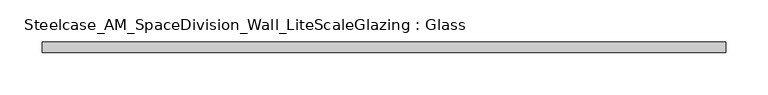
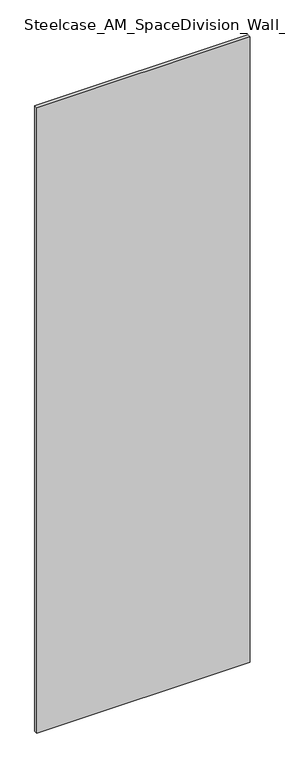
"""IFC4 building model written with IfcOpenShell, lengths in millimetres: plate geometry, Steelcase_AM_SpaceDivision_Wall_LiteScaleGlazing : Glass."""

import ifcopenshell
import ifcopenshell.guid

model = None  # the IFC model being written
_history = None  # IfcOwnerHistory: only IFC2X3 demands one
_inside = {}  # id of a spatial element -> (the spatial element, [elements in it])
_under = {}  # id of a project, library or spatial element -> (it, [spatial elements below it])
_declared = {}  # id of a project -> (the project, [libraries it declares])
_typed = {}  # id of a type object -> (the type object, [elements of that type])
_made_of = {}  # id of a material, layer set ... -> (it, [elements and type objects made of it])


def new_model(schema):
    """Start an empty IFC model of exactly this schema.

    Asked for "IFC4X3", IfcOpenShell would pick the latest addendum, in which some entities
    have other attributes; the version numbers below select the first issue.
    IFC2X3 requires an IfcOwnerHistory on every rooted entity: one is made here for all.
    """
    global model, _history
    if schema == "IFC4X3":
        model = ifcopenshell.file(schema_version=(4, 3, 0, 0))
    else:
        model = ifcopenshell.file(schema=schema)
    _inside.clear()
    _under.clear()
    _declared.clear()
    _typed.clear()
    _made_of.clear()
    _history = None
    if model.schema == "IFC2X3":
        org = make("IfcOrganization", Name="unknown")
        user = make(
            "IfcPersonAndOrganization",
            ThePerson=make("IfcPerson", FamilyName="unknown"),
            TheOrganization=org,
        )
        app = make(
            "IfcApplication",
            ApplicationDeveloper=org,
            Version="unknown",
            ApplicationFullName="unknown",
            ApplicationIdentifier="unknown",
        )
        _history = make(
            "IfcOwnerHistory",
            OwningUser=user,
            OwningApplication=app,
            ChangeAction="ADDED",
            CreationDate=0,
        )
    return model


def make(cls, **values):
    """One entity of the class cls with the attributes given. An attribute that is None is left unset."""
    return model.create_entity(
        cls, **{name: value for name, value in values.items() if value is not None}
    )


def rooted(cls, **values):
    """An entity with a GlobalId (a new one), such as an element, a storey or a relation."""
    return make(cls, GlobalId=ifcopenshell.guid.new(), OwnerHistory=_history, **values)


def si_unit(unit_type, name, prefix=None):
    """IfcSIUnit, for example si_unit("LENGTHUNIT", "METRE", prefix="MILLI")."""
    return make("IfcSIUnit", UnitType=unit_type, Prefix=prefix, Name=name)


def assignment(units):
    """IfcUnitAssignment: the units of a project."""
    return None if units is None else make("IfcUnitAssignment", Units=units)


def point(xyz):
    """IfcCartesianPoint."""
    return None if xyz is None else make("IfcCartesianPoint", Coordinates=xyz)


def direction(xyz):
    """IfcDirection."""
    return None if xyz is None else make("IfcDirection", DirectionRatios=xyz)


def frame(location, z_axis=None, x_axis=None):
    """IfcAxis2Placement3D, a coordinate frame: its origin and axes. An axis left out is left unset."""
    return make(
        "IfcAxis2Placement3D",
        Location=point(location),
        Axis=direction(z_axis),
        RefDirection=direction(x_axis),
    )


def origin():
    """The frame at (0, 0, 0) with its axes left unset."""
    return frame((0.0, 0.0, 0.0))


def origin_with_axes():
    """The frame at (0, 0, 0) with the z axis (0, 0, 1) and the x axis (1, 0, 0) written out."""
    return frame((0.0, 0.0, 0.0), z_axis=(0.0, 0.0, 1.0), x_axis=(1.0, 0.0, 0.0))


def place(relative_to, where):
    """IfcLocalPlacement: puts the frame where relative to a parent placement (None: the world)."""
    return make(
        "IfcLocalPlacement", PlacementRelTo=relative_to, RelativePlacement=where
    )


def context(
    kind, dimensions, precision=None, world=None, true_north=None, identifier=None
):
    """IfcGeometricRepresentationContext, for example the 3D "Model" context."""
    return make(
        "IfcGeometricRepresentationContext",
        ContextIdentifier=identifier,
        ContextType=kind,
        CoordinateSpaceDimension=dimensions,
        Precision=precision,
        WorldCoordinateSystem=world,
        TrueNorth=true_north,
    )


def project(units=None, contexts=None):
    """IfcProject with its units and contexts."""
    return rooted(
        "IfcProject",
        Name="project",
        RepresentationContexts=contexts,
        UnitsInContext=assignment(units),
    )


def spatial(cls, under=None, at=None, **own):
    """A site, building, storey or space (cls), placed at a placement, below another one or the project."""
    s = rooted(cls, ObjectPlacement=at, **own)
    if under is not None:
        _under.setdefault(under.id(), (under, []))[1].append(s)
    return s


def polyline(points):
    """IfcPolyline through the points."""
    return make("IfcPolyline", Points=[point(p) for p in points])


def outline(outer, holes=None, kind="AREA"):
    """IfcArbitraryClosedProfileDef: a profile drawn as a closed curve; with holes, ...WithVoids."""
    if holes is None:
        return make("IfcArbitraryClosedProfileDef", ProfileType=kind, OuterCurve=outer)
    return make(
        "IfcArbitraryProfileDefWithVoids",
        ProfileType=kind,
        OuterCurve=outer,
        InnerCurves=holes,
    )


def extrude(swept, where, along, depth):
    """IfcExtrudedAreaSolid: the profile swept, set in the frame where, extruded along a direction by depth."""
    return make(
        "IfcExtrudedAreaSolid",
        SweptArea=swept,
        Position=where,
        ExtrudedDirection=direction(along),
        Depth=depth,
    )


def shape(context_of_items, identifier, shape_type, items):
    """IfcShapeRepresentation: the items that make up one representation, for example the "Body"."""
    return make(
        "IfcShapeRepresentation",
        ContextOfItems=context_of_items,
        RepresentationIdentifier=identifier,
        RepresentationType=shape_type,
        Items=items,
    )


def source(mapping_origin, context_of_items, identifier, shape_type, items):
    """IfcRepresentationMap: a shape defined once, which mapped items show again and again."""
    return make(
        "IfcRepresentationMap",
        MappingOrigin=mapping_origin,
        MappedRepresentation=shape(context_of_items, identifier, shape_type, items),
    )


def transform(
    local_origin,
    x_axis=None,
    y_axis=None,
    z_axis=None,
    scale=None,
    scale2=None,
    scale3=None,
    uniform=True,
):
    """IfcCartesianTransformationOperator3D, or its non-uniform kind. x_axis, y_axis, z_axis: its Axis1, 2, 3."""
    if uniform:
        return make(
            "IfcCartesianTransformationOperator3D",
            Axis1=direction(x_axis),
            Axis2=direction(y_axis),
            LocalOrigin=point(local_origin),
            Scale=scale,
            Axis3=direction(z_axis),
        )
    return make(
        "IfcCartesianTransformationOperator3DnonUniform",
        Axis1=direction(x_axis),
        Axis2=direction(y_axis),
        LocalOrigin=point(local_origin),
        Scale=scale,
        Axis3=direction(z_axis),
        Scale2=scale2,
        Scale3=scale3,
    )


def mapped(mapping_source, mapping_target):
    """IfcMappedItem: shows the shape of a source again, moved by a transform."""
    return make(
        "IfcMappedItem", MappingSource=mapping_source, MappingTarget=mapping_target
    )


def made_of(thing, what):
    """Note that an element or type object is made of a material, layer set ...; save() writes the relation."""
    if what is not None:
        _made_of.setdefault(what.id(), (what, []))[1].append(thing)
    return thing


def element(
    cls,
    number,
    at=None,
    inside=None,
    cuts=None,
    type_object=None,
    material=None,
    context=None,
    identifier="Body",
    shape_type=None,
    held_by="IfcProductDefinitionShape",
    body=None,
    shapes=None,
    **own,
):
    """One element of the class cls, such as IfcWall. Its Tag is "e" and its number.

    at: its placement. inside: the storey or other place that contains it. cuts: it is an
    opening in that element (IfcRelVoidsElement). A single representation is given by context,
    identifier, shape_type and body (its items); several are given by shapes. held_by: the class
    of the entity that holds the representations. save() writes the other relations.
    """
    e = rooted(cls, Tag="e%d" % number, ObjectPlacement=at, **own)
    if body is not None:
        shapes = [shape(context, identifier, shape_type, body)]
    if shapes is not None:
        e.Representation = make(held_by, Representations=shapes)
    if inside is not None:
        _inside.setdefault(inside.id(), (inside, []))[1].append(e)
    if cuts is not None:
        rooted(
            "IfcRelVoidsElement", RelatingBuildingElement=cuts, RelatedOpeningElement=e
        )
    if type_object is not None:
        _typed.setdefault(type_object.id(), (type_object, []))[1].append(e)
    return made_of(e, material)


def aggregate(whole, parts):
    """IfcRelAggregates: a whole, such as a stair, and the parts it consists of."""
    return rooted("IfcRelAggregates", RelatingObject=whole, RelatedObjects=parts)


def save(model, path):
    """Write the relations noted so far, then the file.

    IfcRelAggregates (storeys below a building ...), IfcRelContainedInSpatialStructure (elements
    in a storey), IfcRelDefinesByType, IfcRelAssociatesMaterial and IfcRelDeclares: one each for
    every whole, place, type object, material and project.
    """
    for whole, parts in _under.values():
        aggregate(whole, parts)
    for where, things in _inside.values():
        rooted(
            "IfcRelContainedInSpatialStructure",
            RelatedElements=things,
            RelatingStructure=where,
        )
    for kind, things in _typed.values():
        rooted("IfcRelDefinesByType", RelatedObjects=things, RelatingType=kind)
    for what, things in _made_of.values():
        rooted("IfcRelAssociatesMaterial", RelatedObjects=things, RelatingMaterial=what)
    for by, libraries in _declared.values():
        rooted("IfcRelDeclares", RelatingContext=by, RelatedDefinitions=libraries)
    model.write(path)


def steelcase_am_spacedivision_wall_litescaleglazing_glass_b36376c5(model_context):
    return source(origin(), model_context, "Body", "SweptSolid", [
        extrude(outline(polyline([(-405.6747088, -6.349956), (-405.6747088, 6.3502015), (405.6747088, 6.3502015), (405.6747088, -6.349956), (-405.6747088, -6.349956)])), origin_with_axes(), (0.0, 0.0, 1.0), 2513.584),
    ])


if __name__ == "__main__":
    model = new_model("IFC4")
    model_context = context("Model", 3, world=origin())
    ifc_project = project(units=[si_unit("LENGTHUNIT", "METRE", prefix="MILLI")], contexts=[model_context])
    site = spatial("IfcSite", under=ifc_project)
    building = spatial("IfcBuilding", under=site)
    placement = place(None, origin())
    steelcase_am_spacedivision_wall_litescaleglazing_glass_shape = steelcase_am_spacedivision_wall_litescaleglazing_glass_b36376c5(model_context)
    element("IfcPlate", 1, ObjectType="Steelcase_AM_SpaceDivision_Wall_LiteScaleGlazing : Glass", at=placement, inside=building, context=model_context, shape_type="MappedRepresentation", body=[
        mapped(steelcase_am_spacedivision_wall_litescaleglazing_glass_shape, transform((0.0, 0.0, 0.0), x_axis=(1.0, 0.0, 0.0), y_axis=(0.0, 1.0, 0.0), z_axis=(0.0, 0.0, 1.0))),
    ])
    save(model, "model.ifc")
